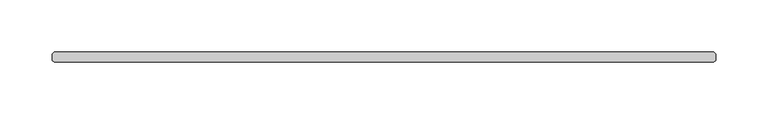
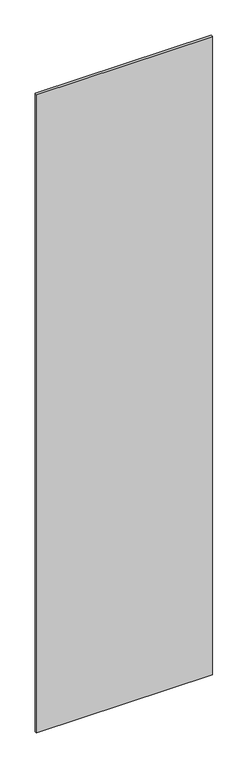
"""IFC4 building model written with IfcOpenShell, lengths in millimetres: plate geometry."""

from ifc_helpers import new_model, si_unit, origin, origin_with_axes, place, context, project, spatial, polyline, outline, extrude, source, transform, mapped, element, save


def plate_33d86d62(model_context):
    return source(origin(), model_context, "Body", "SweptSolid", [
        extrude(outline(polyline([(315.11875, -34.925), (-315.11875, -34.925), (-316.70625, -33.3375), (-316.70625, -26.9875), (-315.11875, -25.4), (315.11875, -25.4), (316.70625, -26.9875), (316.70625, -33.3375), (315.11875, -34.925)])), origin_with_axes(), (0.0, 0.0, 1.0), 2417.075),
    ])


if __name__ == "__main__":
    model = new_model("IFC4")
    model_context = context("Model", 3, world=origin())
    ifc_project = project(units=[si_unit("LENGTHUNIT", "METRE", prefix="MILLI")], contexts=[model_context])
    site = spatial("IfcSite", under=ifc_project)
    building = spatial("IfcBuilding", under=site)
    placement = place(None, origin())
    plate_shape = plate_33d86d62(model_context)
    element("IfcPlate", 1, at=placement, inside=building, context=model_context, shape_type="MappedRepresentation", body=[
        mapped(plate_shape, transform((0.0, 0.0, 0.0), x_axis=(1.0, 0.0, 0.0), y_axis=(0.0, 1.0, 0.0), z_axis=(0.0, 0.0, 1.0))),
    ])
    save(model, "model.ifc")
